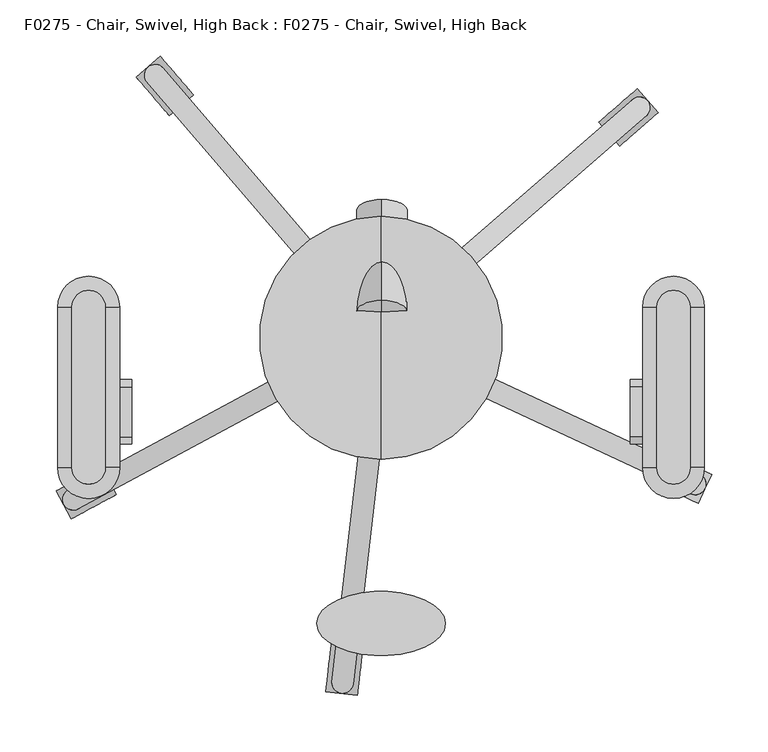
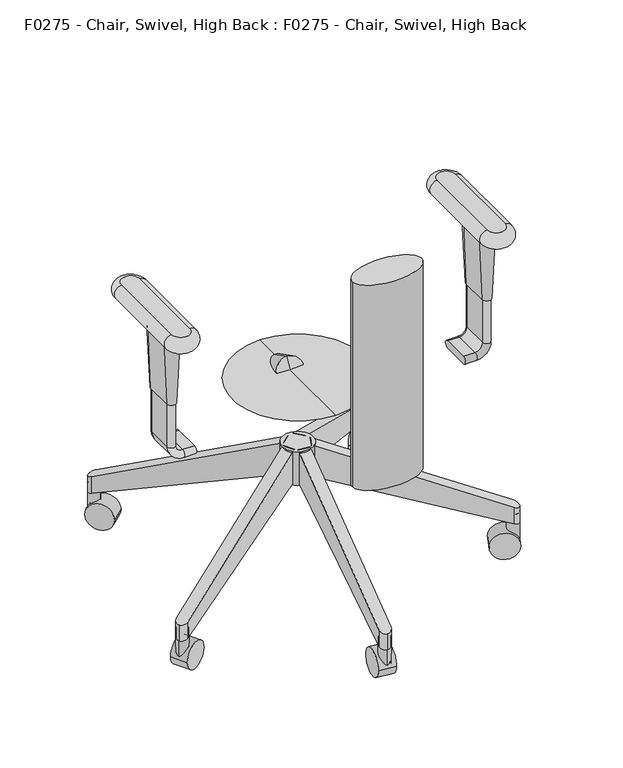
"""IFC4 building model written with IfcOpenShell, lengths in millimetres: proxy geometry, F0275 - Chair, Swivel, High Back : F0275 - Chair, Swivel, High Back."""

from ifc_helpers import new_model, si_unit, point, frame, frame_2d, origin, place, context, project, spatial, polyline, circle_curve, ellipse_curve, trimmed, segment, composite_curve, outline, extrude, source, transform, mapped, element, save
from ifc_brep_helpers import plane_surface, cylinder_surface, revolved_surface, extruded_surface, advanced_brep


def f0275_chair_swivel_high_back_f0275_chair_swivel_high_back_f37547ea(model_context):
    return source(origin(), model_context, "Body", "SolidModel", [
        advanced_brep(
        [(-9.9810679, -17.4509493, 158.3164474), (-9.9810679, -17.4509493, 212.7487443), (8.7806625, -19.6259644, 212.7487443), (8.7806625, -19.6259644, 158.3164474), (-24.5982535, -307.55326, 57.8258095), (-35.0378899, -315.4493016, 54.689734), (-43.4160152, -305.8615729, 57.6571213), (-24.5982535, -307.55326, 86.2220806), (-43.4160152, -305.8615729, 86.0096871), (-35.0378899, -315.4493016, 82.2734822)],
        [
            (0, 1),
            (1, 2),
            (2, 3),
            (3, 0),
            (3, 4),
            (4, 5, ellipse_curve(frame((-33.9473034, -306.0418773, 57.9730562), z_axis=(0.03772137343102609, 0.3253854336709328, -0.9448287768380345), x_axis=(-0.1088036881301013, -0.9385431130164155, -0.3275646233321655)), 10.0234334, 9.4704283)),
            (5, 6, ellipse_curve(frame((-33.9473034, -306.0418773, 57.9730562), z_axis=(0.03772137343102609, 0.3253854336709328, -0.9448287768380345), x_axis=(-0.1088036881301013, -0.9385431130164155, -0.3275646233321655)), 10.0234334, 9.4704283)),
            (6, 0),
            (2, 7),
            (7, 4),
            (1, 8),
            (8, 9, ellipse_curve(frame((-33.9473034, -306.0418773, 86.4074773), z_axis=(-0.046069943732865715, -0.3974003928601444, 0.9164881276039825), x_axis=(-0.10554006276616408, -0.910391005662055, -0.400061885163966)), 10.333389, 9.4704283)),
            (9, 7, ellipse_curve(frame((-33.9473034, -306.0418773, 86.4074773), z_axis=(-0.046069943732865715, -0.3974003928601444, 0.9164881276039825), x_axis=(-0.10554006276616408, -0.910391005662055, -0.400061885163966)), 10.333389, 9.4704283)),
            (6, 8),
            (5, 9),
        ],
        [
            plane_surface(frame((-0.6002027, -18.5384569, 185.5325958), z_axis=(0.11515704305094802, 0.9933472984992521, 0.0), x_axis=(0.0, 0.0, 1.0))),
            plane_surface(frame((-0.6002027, -18.5384569, 158.3164474), z_axis=(0.03772137343102609, 0.3253854336709328, -0.9448287768380345), x_axis=(0.9933472984992534, -0.1151570430509366, 0.0))),
            plane_surface(frame((8.7806625, -19.6259644, 185.5325958), z_axis=(0.9933472984992534, -0.11515704305093587, 0.0), x_axis=(0.0, 0.0, 1.0))),
            plane_surface(frame((-0.6002027, -18.5384569, 212.7487443), z_axis=(-0.046069943732865715, -0.3974003928601444, 0.9164881276039825), x_axis=(-0.9933472984992534, 0.1151570430509366, 0.0))),
            plane_surface(frame((-9.9810679, -17.4509493, 185.5325958), z_axis=(-0.9933472984992533, 0.11515704305093748, 0.0), x_axis=(0.0, 0.0, -1.0))),
            cylinder_surface(frame((-33.9473034, -306.0418773, 0.0), z_axis=(0.0, 0.0, -1.0000000000000002), x_axis=(0.1151570430509366, 0.9933472984992534, 0.0)), 9.4704283),
        ],
        [
            (0, [[1, 2, 3, 4]]),
            (1, [[-4, 5, 6, 7, 8]]),
            (2, [[-3, 9, 10, -5]]),
            (3, [[-2, 11, 12, 13, -9]]),
            (4, [[-1, -8, 14, -11]]),
            (5, [[15, -12, -14, -7]]),
            (5, [[-15, -6, -10, -13]]),
        ],
    ),
        advanced_brep(
        [(20.8311024, 1.0913385, 158.3164474), (12.8489497, -16.0264433, 158.3164474), (12.8489497, -16.0264433, 212.7487443), (20.8311024, 1.0913385, 212.7487443), (283.9704842, -121.6125703, 86.0096871), (283.9704842, -121.6125703, 57.6571213), (275.5473538, -138.5247209, 86.2220806), (287.7438997, -133.7731156, 82.2734822), (275.5473538, -138.5247209, 57.8258095), (287.7438997, -133.7731156, 54.689734)],
        [
            (0, 1),
            (1, 2),
            (2, 3),
            (3, 0),
            (3, 4),
            (4, 5),
            (5, 0),
            (2, 6),
            (6, 7, ellipse_curve(frame((279.1607767, -129.7707397, 86.4074773), z_axis=(0.3625792018206629, -0.16907345849670724, 0.9164881276039822), x_axis=(0.8306203267741233, -0.3873246193939933, -0.40006188516396646)), 10.333389, 9.4704283)),
            (7, 4, ellipse_curve(frame((279.1607767, -129.7707397, 86.4074773), z_axis=(0.3625792018206629, -0.16907345849670724, 0.9164881276039822), x_axis=(0.8306203267741233, -0.3873246193939933, -0.40006188516396646)), 10.333389, 9.4704283)),
            (1, 8),
            (8, 6),
            (5, 9, ellipse_curve(frame((279.1607767, -129.7707397, 57.9730562), z_axis=(-0.2968743688836678, 0.13843479172039067, -0.9448287768380342), x_axis=(0.8563056778646188, -0.3993018953098915, -0.3275646233321667)), 10.0234334, 9.4704283)),
            (9, 8, ellipse_curve(frame((279.1607767, -129.7707397, 57.9730562), z_axis=(-0.2968743688836678, 0.13843479172039067, -0.9448287768380342), x_axis=(0.8563056778646188, -0.3993018953098915, -0.3275646233321667)), 10.0234334, 9.4704283)),
            (9, 7),
        ],
        [
            plane_surface(frame((16.8400261, -7.4675524, 185.5325958), z_axis=(-0.9063077870366449, 0.42261826174071043, 0.0), x_axis=(-0.42261826174071043, -0.9063077870366449, 0.0))),
            plane_surface(frame((20.8311024, 1.0913385, 185.5325958), z_axis=(0.4226182617407104, 0.9063077870366448, 0.0), x_axis=(0.0, 0.0, 1.0))),
            plane_surface(frame((16.8400261, -7.4675524, 212.7487443), z_axis=(0.36257920182066294, -0.16907345849670727, 0.9164881276039825), x_axis=(-0.42261826174071043, -0.9063077870366449, 0.0))),
            plane_surface(frame((12.8489497, -16.0264433, 185.5325958), z_axis=(-0.4226182617407102, -0.906307787036645, 0.0), x_axis=(0.0, 0.0, -1.0))),
            plane_surface(frame((16.8400261, -7.4675524, 158.3164474), z_axis=(-0.29687436888366786, 0.1384347917203907, -0.9448287768380345), x_axis=(0.42261826174071043, 0.9063077870366449, 0.0))),
            cylinder_surface(frame((279.1607767, -129.7707397, 0.0), z_axis=(0.0, 0.0, -1.0000000000000002), x_axis=(-0.9063077870366449, 0.42261826174071043, 0.0)), 9.4704283),
        ],
        [
            (0, [[1, 2, 3, 4]]),
            (1, [[-4, 5, 6, 7]]),
            (2, [[-3, 8, 9, 10, -5]]),
            (3, [[-2, 11, 12, -8]]),
            (4, [[-1, -7, 13, 14, -11]]),
            (5, [[15, -9, -12, -14]]),
            (5, [[-15, -13, -6, -10]]),
        ],
    ),
        advanced_brep(
        [(4.8840356, 21.9424599, 158.3164474), (17.2752734, 7.6879714, 158.3164474), (17.2752734, 7.6879714, 212.7487443), (4.8840356, 21.9424599, 212.7487443), (224.008063, 212.4240708, 86.0096871), (224.008063, 212.4240708, 57.6571213), (236.0320855, 197.850367, 86.2220806), (236.6520602, 210.925118, 82.2734822), (236.0320855, 197.850367, 57.8258095), (236.6520602, 210.925118, 54.689734)],
        [
            (0, 1),
            (1, 2),
            (2, 3),
            (3, 0),
            (3, 4),
            (4, 5),
            (5, 0),
            (2, 6),
            (6, 7, ellipse_curve(frame((229.5046372, 204.711958, 86.4074773), z_axis=(0.3019305374152332, 0.2624642119167779, 0.9164881276039821), x_axis=(0.6916823700631672, 0.6012703110771831, -0.40006188516396696)), 10.333389, 9.4704283)),
            (7, 4, ellipse_curve(frame((229.5046372, 204.711958, 86.4074773), z_axis=(0.3019305374152332, 0.2624642119167779, 0.9164881276039821), x_axis=(0.6916823700631672, 0.6012703110771831, -0.40006188516396696)), 10.333389, 9.4704283)),
            (1, 8),
            (8, 6),
            (5, 9, ellipse_curve(frame((229.5046372, 204.711958, 57.9730562), z_axis=(-0.24721615937085384, -0.21490172871493748, -0.9448287768380343), x_axis=(0.7130713295498402, 0.6198634498946357, -0.32756462333216607)), 10.0234334, 9.4704283)),
            (9, 8, ellipse_curve(frame((229.5046372, 204.711958, 57.9730562), z_axis=(-0.24721615937085384, -0.21490172871493748, -0.9448287768380343), x_axis=(0.7130713295498402, 0.6198634498946357, -0.32756462333216607)), 10.0234334, 9.4704283)),
            (9, 7),
        ],
        [
            plane_surface(frame((11.0796545, 14.8152156, 185.5325958), z_axis=(-0.7547095802227848, -0.6560590289904926, 0.0), x_axis=(0.6560590289904926, -0.7547095802227848, 0.0))),
            plane_surface(frame((4.8840356, 21.9424599, 185.5325958), z_axis=(-0.6560590289904923, 0.7547095802227851, 0.0), x_axis=(0.0, 0.0, 1.0))),
            plane_surface(frame((11.0796545, 14.8152156, 212.7487443), z_axis=(0.30193053741523324, 0.26246421191677793, 0.9164881276039823), x_axis=(0.6560590289904926, -0.7547095802227848, 0.0))),
            plane_surface(frame((17.2752734, 7.6879714, 185.5325958), z_axis=(0.6560590289904925, -0.7547095802227849, 0.0), x_axis=(0.0, 0.0, -1.0))),
            plane_surface(frame((11.0796545, 14.8152156, 158.3164474), z_axis=(-0.24721615937085384, -0.21490172871493748, -0.9448287768380343), x_axis=(-0.6560590289904926, 0.7547095802227848, 0.0))),
            cylinder_surface(frame((229.5046372, 204.711958, 0.0), z_axis=(0.0, 0.0, -1.0), x_axis=(-0.7547095802227848, -0.6560590289904926, 0.0)), 9.4704283),
        ],
        [
            (0, [[1, 2, 3, 4]]),
            (1, [[-4, 5, 6, 7]]),
            (2, [[-3, 8, 9, 10, -5]]),
            (3, [[-2, 11, 12, -8]]),
            (4, [[-1, -7, 13, 14, -11]]),
            (5, [[15, -9, -12, -14]]),
            (5, [[-15, -13, -6, -10]]),
        ],
    ),
        advanced_brep(
        [(-22.8528474, 2.4922689, 158.3164474), (-22.8528474, 2.4922689, 212.7487443), (-13.873229, -14.1239782, 212.7487443), (-13.873229, -14.1239782, 158.3164474), (-268.8748214, -151.9298831, 57.8258095), (-281.3308096, -147.907217, 54.689734), (-278.2824972, -135.5449633, 57.6571213), (-268.8748214, -151.9298831, 86.2220806), (-278.2824972, -135.5449633, 86.0096871), (-281.3308096, -147.907217, 82.2734822)],
        [
            (0, 1),
            (1, 2),
            (2, 3),
            (3, 0),
            (3, 4),
            (4, 5, ellipse_curve(frame((-272.9991639, -143.4046962, 57.9730562), z_axis=(0.28817623412023846, 0.15573387732610194, -0.9448287768380345), x_axis=(-0.8312167413802618, -0.44919945056782457, -0.32756462333216557)), 10.0234334, 9.4704283)),
            (5, 6, ellipse_curve(frame((-272.9991639, -143.4046962, 57.9730562), z_axis=(0.28817623412023846, 0.15573387732610194, -0.9448287768380345), x_axis=(-0.8312167413802618, -0.44919945056782457, -0.32756462333216557)), 10.0234334, 9.4704283)),
            (6, 0),
            (2, 7),
            (7, 4),
            (1, 8),
            (8, 9, ellipse_curve(frame((-272.9991639, -143.4046962, 86.4074773), z_axis=(-0.35195597836182463, -0.19020121255217418, 0.9164881276039823), x_axis=(-0.8062839464840623, -0.43572547054440075, -0.40006188516396635)), 10.333389, 9.4704283)),
            (9, 7, ellipse_curve(frame((-272.9991639, -143.4046962, 86.4074773), z_axis=(-0.35195597836182463, -0.19020121255217418, 0.9164881276039823), x_axis=(-0.8062839464840623, -0.43572547054440075, -0.40006188516396635)), 10.333389, 9.4704283)),
            (6, 8),
            (5, 9),
        ],
        [
            plane_surface(frame((-18.3630382, -5.8158547, 185.5325958), z_axis=(0.8797538366284872, 0.4754294763026976, 0.0), x_axis=(0.0, 0.0, 1.0))),
            plane_surface(frame((-18.3630382, -5.8158547, 158.3164474), z_axis=(0.28817623412023846, 0.15573387732610194, -0.9448287768380345), x_axis=(0.475429476302697, -0.8797538366284874, 0.0))),
            plane_surface(frame((-13.873229, -14.1239782, 185.5325958), z_axis=(0.475429476302697, -0.8797538366284875, 0.0), x_axis=(0.0, 0.0, 1.0))),
            plane_surface(frame((-18.3630382, -5.8158547, 212.7487443), z_axis=(-0.35195597836182463, -0.19020121255217418, 0.9164881276039823), x_axis=(-0.475429476302697, 0.8797538366284874, 0.0))),
            plane_surface(frame((-22.8528474, 2.4922689, 185.5325958), z_axis=(-0.4754294763026961, 0.8797538366284879, 0.0), x_axis=(0.0, 0.0, -1.0))),
            cylinder_surface(frame((-272.9991639, -143.4046962, 0.0), z_axis=(0.0, 0.0, -1.0), x_axis=(0.8797538366284874, 0.475429476302697, 0.0)), 9.4704283),
        ],
        [
            (0, [[1, 2, 3, 4]]),
            (1, [[-4, 5, 6, 7, 8]]),
            (2, [[-3, 9, 10, -5]]),
            (3, [[-2, 11, 12, 13, -9]]),
            (4, [[-1, -8, 14, -11]]),
            (5, [[15, -12, -14, -7]]),
            (5, [[-15, -6, -10, -13]]),
        ],
    ),
        advanced_brep(
        [(-19.080879, 7.8130322, 158.3164474), (-4.7429526, 20.1076279, 158.3164474), (-4.7429526, 20.1076279, 212.7487443), (-19.080879, 7.8130322, 212.7487443), (-208.0768805, 228.2196902, 86.0096871), (-208.0768805, 228.2196902, 57.6571213), (-193.4222285, 240.1449212, 86.2220806), (-206.4924898, 240.8532657, 82.2734822), (-193.4222285, 240.1449212, 57.8258095), (-206.4924898, 240.8532657, 54.689734)],
        [
            (0, 1),
            (1, 2),
            (2, 3),
            (3, 0),
            (3, 4),
            (4, 5),
            (5, 0),
            (2, 6),
            (6, 7, ellipse_curve(frame((-200.3277876, 233.6640057, 86.4074773), z_axis=(-0.26041719384390805, 0.30369787143049076, 0.9164881276039823), x_axis=(-0.5965808671927533, 0.6957310952793443, -0.40006188516396635)), 10.333389, 9.4704283)),
            (7, 4, ellipse_curve(frame((-200.3277876, 233.6640057, 86.4074773), z_axis=(-0.26041719384390805, 0.30369787143049076, 0.9164881276039823), x_axis=(-0.5965808671927533, 0.6957310952793443, -0.40006188516396635)), 10.333389, 9.4704283)),
            (1, 8),
            (8, 6),
            (5, 9, ellipse_curve(frame((-200.3277876, 233.6640057, 57.9730562), z_axis=(0.21322566126422557, -0.2486632257435294, -0.9448287768380346), x_axis=(-0.6150289938925049, 0.7172452538796125, -0.32756462333216513)), 10.0234334, 9.4704283)),
            (9, 8, ellipse_curve(frame((-200.3277876, 233.6640057, 57.9730562), z_axis=(0.21322566126422557, -0.2486632257435294, -0.9448287768380346), x_axis=(-0.6150289938925049, 0.7172452538796125, -0.32756462333216513)), 10.0234334, 9.4704283)),
            (9, 7),
        ],
        [
            plane_surface(frame((-11.9119158, 13.96033, 185.5325958), z_axis=(0.6509422754361504, -0.7591272317932001, 0.0), x_axis=(0.7591272317932001, 0.6509422754361504, 0.0))),
            plane_surface(frame((-19.080879, 7.8130322, 185.5325958), z_axis=(-0.7591272317932003, -0.6509422754361502, 0.0), x_axis=(0.0, 0.0, 1.0))),
            plane_surface(frame((-11.9119158, 13.96033, 212.7487443), z_axis=(-0.26041719384390805, 0.30369787143049076, 0.9164881276039823), x_axis=(0.7591272317932001, 0.6509422754361504, 0.0))),
            plane_surface(frame((-4.7429526, 20.1076279, 185.5325958), z_axis=(0.7591272317932007, 0.6509422754361497, 0.0), x_axis=(0.0, 0.0, -1.0))),
            plane_surface(frame((-11.9119158, 13.96033, 158.3164474), z_axis=(0.21322566126422557, -0.2486632257435294, -0.9448287768380346), x_axis=(-0.7591272317932001, -0.6509422754361504, 0.0))),
            cylinder_surface(frame((-200.3277876, 233.6640057, 0.0), z_axis=(0.0, 0.0, -1.0), x_axis=(0.6509422754361504, -0.7591272317932001, 0.0)), 9.4704283),
        ],
        [
            (0, [[1, 2, 3, 4]]),
            (1, [[-4, 5, 6, 7]]),
            (2, [[-3, 8, 9, 10, -5]]),
            (3, [[-2, 11, 12, -8]]),
            (4, [[-1, -7, 13, 14, -11]]),
            (5, [[15, -9, -12, -14]]),
            (5, [[-15, -13, -6, -10]]),
        ],
    ),
        advanced_brep(
        [(-244.5495896, 27.4015345, 564.9459091), (-274.2828798, 27.4015345, 564.9459091), (-274.2828798, -115.049405, 564.9459091), (-244.5495896, -115.049405, 564.9459091), (-274.2828798, 27.4015345, 539.608165), (-244.5495896, 27.4015345, 539.608165), (-244.5495896, -115.049405, 539.608165), (-274.2828798, -115.049405, 539.608165)],
        [
            (0, 1, circle_curve(frame((-259.4162347, 27.4015345, 564.9459091), z_axis=(0.0, 0.0, 1.0), x_axis=(1.0, 0.0, 0.0)), 14.8666451)),
            (1, 2),
            (2, 3, circle_curve(frame((-259.4162347, -115.049405, 564.9459091), z_axis=(0.0, 0.0, 1.0), x_axis=(-1.0, 0.0, 0.0)), 14.8666451)),
            (3, 0),
            (4, 5, circle_curve(frame((-259.4162347, 27.4015345, 539.608165), z_axis=(0.0, 0.0, -1.0), x_axis=(1.0, 0.0, 0.0)), 14.8666451)),
            (5, 6),
            (6, 7, circle_curve(frame((-259.4162347, -115.049405, 539.608165), z_axis=(0.0, 0.0, -1.0), x_axis=(-1.0, 0.0, 0.0)), 14.8666451)),
            (7, 4),
            (4, 1, circle_curve(frame((-274.2828798, 27.4015345, 552.277037), z_axis=(0.0, 1.0, 0.0), x_axis=(1.0, 0.0, 0.0)), 12.668872)),
            (0, 5, circle_curve(frame((-244.5495896, 27.4015345, 552.277037), z_axis=(0.0, 1.0, 0.0), x_axis=(-1.0, 0.0, 0.0)), 12.668872)),
            (7, 2, circle_curve(frame((-274.2828798, -115.049405, 552.277037), z_axis=(0.0, 1.0, 0.0), x_axis=(1.0, 0.0, 0.0)), 12.668872)),
            (6, 3, circle_curve(frame((-244.5495896, -115.049405, 552.277037), z_axis=(0.0, -1.0, 0.0), x_axis=(-1.0, 0.0, 0.0)), 12.668872)),
        ],
        [
            plane_surface(frame((-231.779449, 27.4015345, 564.9459091), z_axis=(0.0, 0.0, 1.0), x_axis=(0.0, 1.0, 0.0))),
            plane_surface(frame((-231.779449, 27.4015345, 539.608165), z_axis=(0.0, 0.0, -1.0), x_axis=(0.0, -1.0, 0.0))),
            revolved_surface(trimmed(ellipse_curve(frame((-244.5495896, 27.4015345, 552.277037), z_axis=(0.0, -1.0, 0.0), x_axis=(-1.0, 0.0, 0.0)), 12.668872, 12.668872), [point((-244.5495896, 27.4015345, 539.608165))], [point((-244.5495896, 27.4015345, 564.9459091))], True, "CARTESIAN"), (-259.4162347, 27.4015345, 564.9459091), (0.0, 0.0, 1.0)),
            cylinder_surface(frame((-274.2828798, 27.4015345, 552.277037), z_axis=(0.0, -1.0, 0.0), x_axis=(1.0, 0.0, 0.0)), 12.668872),
            revolved_surface(trimmed(ellipse_curve(frame((-274.2828798, -115.049405, 552.277037), z_axis=(0.0, 1.0, 0.0), x_axis=(1.0, 0.0, 0.0)), 12.668872, 12.668872), [point((-274.2828798, -115.049405, 539.608165))], [point((-274.2828798, -115.049405, 564.9459091))], True, "CARTESIAN"), (-259.4162347, -115.049405, 564.9459091), (0.0, 0.0, 1.0)),
            cylinder_surface(frame((-244.5495896, -115.049405, 552.277037), z_axis=(0.0, 1.0, 0.0), x_axis=(-1.0, 0.0, 0.0)), 12.668872),
        ],
        [
            (0, [[1, 2, 3, 4]]),
            (1, [[5, 6, 7, 8]]),
            (2, [[9, -1, 10, -5]]),
            (3, [[-9, -8, 11, -2]]),
            (4, [[-11, -7, 12, -3]]),
            (5, [[-10, -4, -12, -6]]),
        ],
    ),
        advanced_brep(
        [(274.7166709, 27.4015345, 564.9459091), (245.0837813, 27.4015345, 564.9459091), (245.0837813, -115.049405, 564.9459091), (274.7166709, -115.049405, 564.9459091), (245.0837813, 27.4015345, 539.608165), (274.7166709, 27.4015345, 539.608165), (274.7166709, -115.049405, 539.608165), (245.0837813, -115.049405, 539.608165)],
        [
            (0, 1, circle_curve(frame((259.9002261, 27.4015345, 564.9459091), z_axis=(0.0, 0.0, 1.0), x_axis=(1.0, 0.0, 0.0)), 14.8164448)),
            (1, 2),
            (2, 3, circle_curve(frame((259.9002261, -115.049405, 564.9459091), z_axis=(0.0, 0.0, 1.0), x_axis=(-1.0, 0.0, 0.0)), 14.8164448)),
            (3, 0),
            (4, 5, circle_curve(frame((259.9002261, 27.4015345, 539.608165), z_axis=(0.0, 0.0, -1.0), x_axis=(1.0, 0.0, 0.0)), 14.8164448)),
            (5, 6),
            (6, 7, circle_curve(frame((259.9002261, -115.049405, 539.608165), z_axis=(0.0, 0.0, -1.0), x_axis=(-1.0, 0.0, 0.0)), 14.8164448)),
            (7, 4),
            (4, 1, circle_curve(frame((245.0837813, 27.4015345, 552.277037), z_axis=(0.0, 1.0, 0.0), x_axis=(1.0, 0.0, 0.0)), 12.668872)),
            (0, 5, circle_curve(frame((274.7166709, 27.4015345, 552.277037), z_axis=(0.0, 1.0, 0.0), x_axis=(-1.0, 0.0, 0.0)), 12.668872)),
            (7, 2, circle_curve(frame((245.0837813, -115.049405, 552.277037), z_axis=(0.0, 1.0, 0.0), x_axis=(1.0, 0.0, 0.0)), 12.668872)),
            (6, 3, circle_curve(frame((274.7166709, -115.049405, 552.277037), z_axis=(0.0, -1.0, 0.0), x_axis=(-1.0, 0.0, 0.0)), 12.668872)),
        ],
        [
            plane_surface(frame((232.2634404, 21.3431584, 564.9459091), z_axis=(0.0, 0.0, 1.0), x_axis=(0.0, -1.0, 0.0))),
            plane_surface(frame((232.2634404, 21.3431584, 539.608165), z_axis=(0.0, 0.0, -1.0), x_axis=(0.0, 1.0, 0.0))),
            revolved_surface(trimmed(ellipse_curve(frame((274.7166709, 27.4015345, 552.277037), z_axis=(0.0, -1.0, 0.0), x_axis=(-1.0, 0.0, 0.0)), 12.668872, 12.668872), [point((274.7166709, 27.4015345, 539.608165))], [point((274.7166709, 27.4015345, 564.9459091))], True, "CARTESIAN"), (259.9002261, 27.4015345, 564.9459091), (0.0, 0.0, 1.0)),
            cylinder_surface(frame((245.0837813, 27.4015345, 552.277037), z_axis=(0.0, -1.0, 0.0), x_axis=(1.0, 0.0, 0.0)), 12.668872),
            revolved_surface(trimmed(ellipse_curve(frame((245.0837813, -115.049405, 552.277037), z_axis=(0.0, 1.0, 0.0), x_axis=(1.0, 0.0, 0.0)), 12.668872, 12.668872), [point((245.0837813, -115.049405, 539.608165))], [point((245.0837813, -115.049405, 564.9459091))], True, "CARTESIAN"), (259.9002261, -115.049405, 564.9459091), (0.0, 0.0, 1.0)),
            cylinder_surface(frame((274.7166709, -115.049405, 552.277037), z_axis=(0.0, 1.0, 0.0), x_axis=(-1.0, 0.0, 0.0)), 12.668872),
        ],
        [
            (0, [[1, 2, 3, 4]]),
            (1, [[5, 6, 7, 8]]),
            (2, [[9, -1, 10, -5]]),
            (3, [[-9, -8, 11, -2]]),
            (4, [[-11, -7, 12, -3]]),
            (5, [[-10, -4, -12, -6]]),
        ],
    ),
        advanced_brep(
        [(57.3919957, -253.7484371, 665.1181797), (-56.9080043, -253.7484371, 665.1181797), (57.3919957, -253.7484371, 308.0330056), (-56.9080043, -253.7484371, 308.0330056)],
        [
            (0, 1, ellipse_curve(frame((0.2419957, -253.7484371, 665.1181797), z_axis=(0.0, 0.0, 1.0), x_axis=(-1.0, 0.0, 0.0)), 57.15, 28.575)),
            (1, 0, ellipse_curve(frame((0.2419957, -253.7484371, 665.1181797), z_axis=(0.0, 0.0, 1.0), x_axis=(-1.0, 0.0, 0.0)), 57.15, 28.575)),
            (2, 3, ellipse_curve(frame((0.2419957, -253.7484371, 308.0330056), z_axis=(0.0, 0.0, -1.0), x_axis=(-1.0, 0.0, 0.0)), 57.15, 28.575)),
            (3, 2, ellipse_curve(frame((0.2419957, -253.7484371, 308.0330056), z_axis=(0.0, 0.0, -1.0), x_axis=(-1.0, 0.0, 0.0)), 57.15, 28.575)),
            (0, 2),
            (3, 1),
        ],
        [
            plane_surface(frame((-56.9080043, -253.7484371, 665.1181797), z_axis=(0.0, 0.0, 1.0), x_axis=(0.0, -1.0, 0.0))),
            plane_surface(frame((-56.9080043, -253.7484371, 308.0330056), z_axis=(0.0, 0.0, -1.0), x_axis=(0.0, 1.0, 0.0))),
            extruded_surface(trimmed(ellipse_curve(frame((0.2419957, -253.7484371, -49.0521685), z_axis=(0.0, 0.0, 1.0), x_axis=(-1.0, 0.0, 0.0)), 57.15, 28.575), [point((57.3919957, -253.7484371, -49.0521685))], [point((-56.9080043, -253.7484371, -49.0521685))], True, "CARTESIAN"), (0.0, 0.0, 357.0851741), 357.0851741),
            extruded_surface(trimmed(ellipse_curve(frame((0.2419957, -253.7484371, -49.0521685), z_axis=(0.0, 0.0, 1.0), x_axis=(-1.0, 0.0, 0.0)), 57.15, 28.575), [point((-56.9080043, -253.7484371, -49.0521685))], [point((57.3919957, -253.7484371, -49.0521685))], True, "CARTESIAN"), (0.0, 0.0, 357.0851741), 357.0851741),
        ],
        [
            (0, [[1, 2]]),
            (1, [[3, 4]]),
            (2, [[-1, 5, -4, 6]]),
            (3, [[-2, -6, -3, -5]]),
        ],
    ),
        advanced_brep(
        [(-271.9692769, -43.3725061, 539.608165), (-271.9692769, -87.8225061, 539.608165), (-246.5692769, -87.8225061, 539.608165), (-246.5692769, -43.3725061, 539.608165), (-267.2067769, -43.3725061, 425.6440254), (-251.3317769, -43.3725061, 425.6440254), (-251.3317769, -87.8225061, 425.6440254), (-267.2067769, -87.8225061, 425.6440254)],
        [
            (0, 1),
            (1, 2, circle_curve(frame((-259.2692769, -87.8225061, 539.608165), z_axis=(0.0, 0.0, 1.0), x_axis=(-1.0, 0.0, 0.0)), 12.7)),
            (2, 3),
            (3, 0, circle_curve(frame((-259.2692769, -43.3725061, 539.608165), z_axis=(0.0, 0.0, 1.0), x_axis=(1.0, 0.0, 0.0)), 12.7)),
            (4, 5, circle_curve(frame((-259.2692769, -43.3725061, 425.6440254), z_axis=(0.0, 0.0, -1.0), x_axis=(1.0, 0.0, 0.0)), 7.9375)),
            (5, 6),
            (6, 7, circle_curve(frame((-259.2692769, -87.8225061, 425.6440254), z_axis=(0.0, 0.0, -1.0), x_axis=(-1.0, 0.0, 0.0)), 7.9375)),
            (7, 4),
            (7, 1),
            (0, 4),
            (6, 2),
            (5, 3),
        ],
        [
            plane_surface(frame((-259.2692769, -65.5975061, 539.608165), z_axis=(0.0, 0.0, 1.0), x_axis=(0.0, -1.0, 0.0))),
            plane_surface(frame((-259.2692769, -65.5975061, 425.6440254), z_axis=(0.0, 0.0, -1.0), x_axis=(0.0, -1.0, 0.0))),
            plane_surface(frame((-267.2067769, -65.5975061, 425.6440254), z_axis=(-0.9991279624642644, 0.0, -0.04175301931606388), x_axis=(0.0, -1.0, 0.0))),
            revolved_surface(polyline([(-251.33177690104475, -87.8225061, 425.6440254), (-246.5692769, -87.8225061, 539.608165)]), (-259.2692769, -87.8225061, 235.7037928), (0.0, 0.0, 1.0)),
            plane_surface(frame((-251.3317769, -65.5975061, 425.6440254), z_axis=(0.9991279624642645, 0.0, -0.04175301931606151), x_axis=(0.0, 1.0, 0.0))),
            revolved_surface(polyline([(-267.2067768989553, -43.3725061, 425.6440254), (-271.9692769, -43.3725061, 539.608165)]), (-259.2692769, -43.3725061, 235.7037928), (0.0, 0.0, 1.0)),
        ],
        [
            (0, [[1, 2, 3, 4]]),
            (1, [[5, 6, 7, 8]]),
            (2, [[-8, 9, -1, 10]]),
            (3, [[-7, 11, -2, -9]]),
            (4, [[-6, 12, -3, -11]]),
            (5, [[-5, -10, -4, -12]]),
        ],
    ),
        advanced_brep(
        [(-221.1692769, -43.3725061, 324.0440254), (-221.1692769, -43.3725061, 336.7440254), (-221.1692769, -87.8225061, 336.7440254), (-221.1692769, -87.8225061, 324.0440254), (-240.2192769, -43.3725061, 324.0440254), (-240.2192769, -43.3725061, 336.7440254), (-240.2192769, -87.8225061, 336.7440254), (-240.2192769, -87.8225061, 324.0440254), (-252.9192769, -43.3725061, 349.4440254), (-265.6192769, -43.3725061, 349.4440254), (-252.9192769, -87.8225061, 349.4440254), (-265.6192769, -87.8225061, 349.4440254), (-265.6192769, -43.3725061, 425.6440254), (-265.6192769, -87.8225061, 425.6440254), (-252.9192769, -87.8225061, 425.6440254), (-252.9192769, -43.3725061, 425.6440254)],
        [
            (0, 1, circle_curve(frame((-221.1692769, -43.3725061, 330.3940254), z_axis=(1.0, 0.0, 0.0), x_axis=(0.0, 1.0, 0.0)), 6.35)),
            (1, 2),
            (2, 3, circle_curve(frame((-221.1692769, -87.8225061, 330.3940254), z_axis=(1.0, 0.0, 0.0), x_axis=(0.0, 1.0, 0.0)), 6.35)),
            (3, 0),
            (0, 4),
            (4, 5, circle_curve(frame((-240.2192769, -43.3725061, 330.3940254), z_axis=(1.0, 0.0, 0.0), x_axis=(0.0, 1.0, 0.0)), 6.35)),
            (5, 1),
            (5, 6),
            (6, 2),
            (6, 7, circle_curve(frame((-240.2192769, -87.8225061, 330.3940254), z_axis=(1.0, 0.0, 0.0), x_axis=(0.0, 1.0, 0.0)), 6.35)),
            (7, 3),
            (7, 4),
            (8, 5, circle_curve(frame((-240.2192769, -43.3725061, 349.4440254), z_axis=(0.0, -1.0, 0.0), x_axis=(0.0, 0.0, -1.0)), 12.7)),
            (4, 9, circle_curve(frame((-240.2192769, -43.3725061, 349.4440254), z_axis=(0.0, 1.0, 0.0), x_axis=(0.0, 0.0, -1.0)), 25.4)),
            (9, 8, circle_curve(frame((-259.2692769, -43.3725061, 349.4440254), z_axis=(0.0, 0.0, -1.0), x_axis=(0.0, 1.0, 0.0)), 6.35)),
            (10, 6, circle_curve(frame((-240.2192769, -87.8225061, 349.4440254), z_axis=(0.0, -1.0, 0.0), x_axis=(0.0, 0.0, -1.0)), 12.7)),
            (8, 10),
            (11, 7, circle_curve(frame((-240.2192769, -87.8225061, 349.4440254), z_axis=(0.0, -1.0, 0.0), x_axis=(0.0, 0.0, -1.0)), 25.4)),
            (10, 11, circle_curve(frame((-259.2692769, -87.8225061, 349.4440254), z_axis=(0.0, 0.0, -1.0), x_axis=(0.0, 1.0, 0.0)), 6.35)),
            (11, 9),
            (12, 13),
            (13, 14, circle_curve(frame((-259.2692769, -87.8225061, 425.6440254), z_axis=(0.0, 0.0, 1.0), x_axis=(0.0, 1.0, 0.0)), 6.35)),
            (14, 15),
            (15, 12, circle_curve(frame((-259.2692769, -43.3725061, 425.6440254), z_axis=(0.0, 0.0, 1.0), x_axis=(0.0, 1.0, 0.0)), 6.35)),
            (9, 12),
            (15, 8),
            (14, 10),
            (13, 11),
        ],
        [
            plane_surface(frame((-221.1692769, -69.667478, 324.0440254), z_axis=(1.0, 0.0, 0.0), x_axis=(0.0, 1.0, 0.0))),
            cylinder_surface(frame((-221.1692769, -43.3725061, 330.3940254), z_axis=(1.0, 0.0, 0.0), x_axis=(0.0, 1.0, 0.0)), 6.35),
            plane_surface(frame((-221.1692769, -43.3725061, 336.7440254), z_axis=(0.0, 0.0, 1.0), x_axis=(-1.0, 0.0, 0.0))),
            cylinder_surface(frame((-221.1692769, -87.8225061, 330.3940254), z_axis=(1.0, 0.0, 0.0), x_axis=(0.0, 1.0, 0.0)), 6.35),
            plane_surface(frame((-221.1692769, -87.8225061, 324.0440254), z_axis=(0.0, 0.0, -1.0), x_axis=(-1.0, 0.0, 0.0))),
            revolved_surface(trimmed(ellipse_curve(frame((-240.2192769, -43.3725061, 330.3940254), z_axis=(1.0, 0.0, 0.0), x_axis=(0.0, 1.0, 0.0)), 6.35, 6.35), [point((-240.2192769, -43.3725061, 324.0440254))], [point((-240.2192769, -43.3725061, 336.7440254))], True, "CARTESIAN"), (-240.2192769, -69.667478, 349.4440254), (0.0, 1.0, 0.0)),
            revolved_surface(polyline([(-240.2192769, -43.3725061, 336.7440254), (-240.2192769, -87.8225061, 336.7440254)]), (-240.2192769, -69.667478, 349.4440254), (0.0, 1.0, 0.0)),
            revolved_surface(trimmed(ellipse_curve(frame((-240.2192769, -87.8225061, 330.3940254), z_axis=(1.0, 0.0, 0.0), x_axis=(0.0, 1.0, 0.0)), 6.35, 6.35), [point((-240.2192769, -87.8225061, 336.7440254))], [point((-240.2192769, -87.8225061, 324.0440254))], True, "CARTESIAN"), (-240.2192769, -69.667478, 349.4440254), (0.0, 1.0, 0.0)),
            cylinder_surface(frame((-240.2192769, -69.667478, 349.4440254), z_axis=(0.0, 1.0, 0.0), x_axis=(0.0, 0.0, -1.0)), 25.4),
            plane_surface(frame((-265.6192769, -69.667478, 425.6440254), z_axis=(0.0, 0.0, 1.0), x_axis=(0.0, 1.0, 0.0))),
            cylinder_surface(frame((-259.2692769, -43.3725061, 349.4440254), z_axis=(0.0, 0.0, -1.0), x_axis=(0.0, 1.0, 0.0)), 6.35),
            plane_surface(frame((-252.9192769, -43.3725061, 349.4440254), z_axis=(1.0, 0.0, 0.0), x_axis=(0.0, 0.0, 1.0))),
            cylinder_surface(frame((-259.2692769, -87.8225061, 349.4440254), z_axis=(0.0, 0.0, -1.0), x_axis=(0.0, 1.0, 0.0)), 6.35),
            plane_surface(frame((-265.6192769, -87.8225061, 349.4440254), z_axis=(-1.0, 0.0, 0.0), x_axis=(0.0, 0.0, 1.0))),
        ],
        [
            (0, [[1, 2, 3, 4]]),
            (1, [[-1, 5, 6, 7]]),
            (2, [[-2, -7, 8, 9]]),
            (3, [[-3, -9, 10, 11]]),
            (4, [[-4, -11, 12, -5]]),
            (5, [[13, -6, 14, 15]]),
            (6, [[16, -8, -13, 17]]),
            (7, [[18, -10, -16, 19]]),
            (8, [[-14, -12, -18, 20]]),
            (9, [[21, 22, 23, 24]]),
            (10, [[-15, 25, -24, 26]]),
            (11, [[-17, -26, -23, 27]]),
            (12, [[-19, -27, -22, 28]]),
            (13, [[-20, -28, -21, -25]]),
        ],
    ),
        advanced_brep(
        [(272.4532683, -43.3725061, 539.608165), (247.0532683, -43.3725061, 539.608165), (247.0532683, -87.8225061, 539.608165), (272.4532683, -87.8225061, 539.608165), (267.6907683, -43.3725061, 425.6440254), (267.6907683, -87.8225061, 425.6440254), (251.8157683, -87.8225061, 425.6440254), (251.8157683, -43.3725061, 425.6440254)],
        [
            (0, 1, circle_curve(frame((259.7532683, -43.3725061, 539.608165), z_axis=(0.0, 0.0, 1.0), x_axis=(1.0, 0.0, 0.0)), 12.7)),
            (1, 2),
            (2, 3, circle_curve(frame((259.7532683, -87.8225061, 539.608165), z_axis=(0.0, 0.0, 1.0), x_axis=(-1.0, 0.0, 0.0)), 12.7)),
            (3, 0),
            (4, 5),
            (5, 6, circle_curve(frame((259.7532683, -87.8225061, 425.6440254), z_axis=(0.0, 0.0, -1.0), x_axis=(-1.0, 0.0, 0.0)), 7.9375)),
            (6, 7),
            (7, 4, circle_curve(frame((259.7532683, -43.3725061, 425.6440254), z_axis=(0.0, 0.0, -1.0), x_axis=(1.0, 0.0, 0.0)), 7.9375)),
            (7, 1),
            (0, 4),
            (6, 2),
            (5, 3),
        ],
        [
            plane_surface(frame((259.7532683, -65.5975061, 539.608165), z_axis=(0.0, 0.0, 1.0), x_axis=(0.0, 1.0, 0.0))),
            plane_surface(frame((259.7532683, -65.5975061, 425.6440254), z_axis=(0.0, 0.0, -1.0), x_axis=(0.0, 1.0, 0.0))),
            revolved_surface(polyline([(251.81576830104476, -43.3725061, 425.6440254), (247.0532683, -43.3725061, 539.608165)]), (259.7532683, -43.3725061, 235.7037928), (0.0, 0.0, 1.0)),
            plane_surface(frame((251.8157683, -65.5975061, 425.6440254), z_axis=(-0.9991279624642644, 0.0, -0.04175301931606269), x_axis=(0.0, -1.0, 0.0))),
            revolved_surface(polyline([(267.6907682989553, -87.8225061, 425.6440254), (272.4532683, -87.8225061, 539.608165)]), (259.7532683, -87.8225061, 235.7037928), (0.0, 0.0, 1.0)),
            plane_surface(frame((267.6907683, -65.5975061, 425.6440254), z_axis=(0.9991279624642644, 0.0, -0.04175301931606269), x_axis=(0.0, 1.0, 0.0))),
        ],
        [
            (0, [[1, 2, 3, 4]]),
            (1, [[5, 6, 7, 8]]),
            (2, [[-8, 9, -1, 10]]),
            (3, [[-7, 11, -2, -9]]),
            (4, [[-6, 12, -3, -11]]),
            (5, [[-5, -10, -4, -12]]),
        ],
    ),
        advanced_brep(
        [(221.6532683, -43.3725061, 324.0440254), (221.6532683, -87.8225061, 324.0440254), (221.6532683, -87.8225061, 336.7440254), (221.6532683, -43.3725061, 336.7440254), (240.7032683, -43.3725061, 324.0440254), (240.7032683, -87.8225061, 324.0440254), (240.7032683, -87.8225061, 336.7440254), (240.7032683, -43.3725061, 336.7440254), (266.1032683, -87.8225061, 349.4440254), (266.1032683, -43.3725061, 349.4440254), (253.4032683, -87.8225061, 349.4440254), (253.4032683, -43.3725061, 349.4440254), (266.1032683, -43.3725061, 425.6440254), (253.4032683, -43.3725061, 425.6440254), (253.4032683, -87.8225061, 425.6440254), (266.1032683, -87.8225061, 425.6440254)],
        [
            (0, 1),
            (1, 2, circle_curve(frame((221.6532683, -87.8225061, 330.3940254), z_axis=(-1.0, 0.0, 0.0), x_axis=(0.0, 1.0, 0.0)), 6.35)),
            (2, 3),
            (3, 0, circle_curve(frame((221.6532683, -43.3725061, 330.3940254), z_axis=(-1.0, 0.0, 0.0), x_axis=(0.0, 1.0, 0.0)), 6.35)),
            (0, 4),
            (4, 5),
            (5, 1),
            (5, 6, circle_curve(frame((240.7032683, -87.8225061, 330.3940254), z_axis=(-1.0, 0.0, 0.0), x_axis=(0.0, 1.0, 0.0)), 6.35)),
            (6, 2),
            (6, 7),
            (7, 3),
            (7, 4, circle_curve(frame((240.7032683, -43.3725061, 330.3940254), z_axis=(-1.0, 0.0, 0.0), x_axis=(0.0, 1.0, 0.0)), 6.35)),
            (8, 5, circle_curve(frame((240.7032683, -87.8225061, 349.4440254), z_axis=(0.0, 1.0, 0.0), x_axis=(0.0, 0.0, -1.0)), 25.4)),
            (4, 9, circle_curve(frame((240.7032683, -43.3725061, 349.4440254), z_axis=(0.0, -1.0, 0.0), x_axis=(0.0, 0.0, -1.0)), 25.4)),
            (9, 8),
            (10, 6, circle_curve(frame((240.7032683, -87.8225061, 349.4440254), z_axis=(0.0, 1.0, 0.0), x_axis=(0.0, 0.0, -1.0)), 12.7)),
            (8, 10, circle_curve(frame((259.7532683, -87.8225061, 349.4440254), z_axis=(0.0, 0.0, -1.0), x_axis=(0.0, 1.0, 0.0)), 6.35)),
            (11, 7, circle_curve(frame((240.7032683, -43.3725061, 349.4440254), z_axis=(0.0, 1.0, 0.0), x_axis=(0.0, 0.0, -1.0)), 12.7)),
            (10, 11),
            (11, 9, circle_curve(frame((259.7532683, -43.3725061, 349.4440254), z_axis=(0.0, 0.0, -1.0), x_axis=(0.0, 1.0, 0.0)), 6.35)),
            (12, 13, circle_curve(frame((259.7532683, -43.3725061, 425.6440254), z_axis=(0.0, 0.0, 1.0), x_axis=(0.0, 1.0, 0.0)), 6.35)),
            (13, 14),
            (14, 15, circle_curve(frame((259.7532683, -87.8225061, 425.6440254), z_axis=(0.0, 0.0, 1.0), x_axis=(0.0, 1.0, 0.0)), 6.35)),
            (15, 12),
            (9, 12),
            (15, 8),
            (14, 10),
            (13, 11),
        ],
        [
            plane_surface(frame((221.6532683, -69.667478, 324.0440254), z_axis=(-1.0, 0.0, 0.0), x_axis=(0.0, 1.0, 0.0))),
            plane_surface(frame((221.6532683, -43.3725061, 324.0440254), z_axis=(0.0, 0.0, -1.0), x_axis=(1.0, 0.0, 0.0))),
            cylinder_surface(frame((221.6532683, -87.8225061, 330.3940254), z_axis=(-1.0, 0.0, 0.0), x_axis=(0.0, 1.0, 0.0)), 6.35),
            plane_surface(frame((221.6532683, -87.8225061, 336.7440254), z_axis=(0.0, 0.0, 1.0), x_axis=(1.0, 0.0, 0.0))),
            cylinder_surface(frame((221.6532683, -43.3725061, 330.3940254), z_axis=(-1.0, 0.0, 0.0), x_axis=(0.0, 1.0, 0.0)), 6.35),
            cylinder_surface(frame((240.7032683, -69.667478, 349.4440254), z_axis=(0.0, -1.0, 0.0), x_axis=(0.0, 0.0, -1.0)), 25.4),
            revolved_surface(trimmed(ellipse_curve(frame((240.7032683, -87.8225061, 330.3940254), z_axis=(-1.0, 0.0, 0.0), x_axis=(0.0, 1.0, 0.0)), 6.35, 6.35), [point((240.7032683, -87.8225061, 324.0440254))], [point((240.7032683, -87.8225061, 336.7440254))], True, "CARTESIAN"), (240.7032683, -69.667478, 349.4440254), (0.0, -1.0, 0.0)),
            revolved_surface(polyline([(240.7032683, -87.8225061, 336.7440254), (240.7032683, -43.3725061, 336.7440254)]), (240.7032683, -69.667478, 349.4440254), (0.0, -1.0, 0.0)),
            revolved_surface(trimmed(ellipse_curve(frame((240.7032683, -43.3725061, 330.3940254), z_axis=(-1.0, 0.0, 0.0), x_axis=(0.0, 1.0, 0.0)), 6.35, 6.35), [point((240.7032683, -43.3725061, 336.7440254))], [point((240.7032683, -43.3725061, 324.0440254))], True, "CARTESIAN"), (240.7032683, -69.667478, 349.4440254), (0.0, -1.0, 0.0)),
            plane_surface(frame((266.1032683, -69.667478, 425.6440254), z_axis=(0.0, 0.0, 1.0), x_axis=(0.0, 1.0, 0.0))),
            plane_surface(frame((266.1032683, -43.3725061, 349.4440254), z_axis=(1.0, 0.0, 0.0), x_axis=(0.0, 0.0, 1.0))),
            cylinder_surface(frame((259.7532683, -87.8225061, 349.4440254), z_axis=(0.0, 0.0, -1.0), x_axis=(0.0, 1.0, 0.0)), 6.35),
            plane_surface(frame((253.4032683, -87.8225061, 349.4440254), z_axis=(-1.0, 0.0, 0.0), x_axis=(0.0, 0.0, 1.0))),
            cylinder_surface(frame((259.7532683, -43.3725061, 349.4440254), z_axis=(0.0, 0.0, -1.0), x_axis=(0.0, 1.0, 0.0)), 6.35),
        ],
        [
            (0, [[1, 2, 3, 4]]),
            (1, [[-1, 5, 6, 7]]),
            (2, [[-2, -7, 8, 9]]),
            (3, [[-3, -9, 10, 11]]),
            (4, [[-4, -11, 12, -5]]),
            (5, [[13, -6, 14, 15]]),
            (6, [[16, -8, -13, 17]]),
            (7, [[18, -10, -16, 19]]),
            (8, [[-14, -12, -18, 20]]),
            (9, [[21, 22, 23, 24]]),
            (10, [[-15, 25, -24, 26]]),
            (11, [[-17, -26, -23, 27]]),
            (12, [[-19, -27, -22, 28]]),
            (13, [[-20, -28, -21, -25]]),
        ],
    ),
        advanced_brep(
        [(0.9999506, 12.8598839, 300.8203454), (0.9999506, 33.3539723, 341.0422587), (0.9999506, 22.0529575, 321.4683269), (0.9999506, 102.6239909, 255.0832484), (0.9999506, 123.1180793, 295.3051617), (0.9999506, 118.3691098, 272.3927961)],
        [
            (0, 1, circle_curve(frame((0.9999506, 23.1069281, 320.931302), z_axis=(0.0, -0.8910065241883681, 0.45399049973954636), x_axis=(0.0, 0.45399049973954636, 0.8910065241883681)), 22.5710543)),
            (1, 2),
            (2, 0),
            (1, 0, circle_curve(frame((0.9999506, 23.1069281, 320.931302), z_axis=(0.0, -0.8910065241883681, 0.45399049973954636), x_axis=(0.0, 0.45399049973954636, 0.8910065241883681)), 22.5710543)),
            (3, 4, circle_curve(frame((0.9999506, 112.8710351, 275.1942051), z_axis=(0.0, -0.8910065241883681, 0.45399049973954636), x_axis=(0.0, 0.45399049973954636, 0.8910065241883681)), 22.5710543)),
            (4, 1),
            (0, 3),
            (4, 3, circle_curve(frame((0.9999506, 112.8710351, 275.1942051), z_axis=(0.0, -0.8910065241883681, 0.45399049973954636), x_axis=(0.0, 0.45399049973954636, 0.8910065241883681)), 22.5710543)),
            (5, 4, circle_curve(frame((0.9999506, 78.8389624, 292.5344122), z_axis=(1.0, 0.0, 0.0), x_axis=(0.0, -1.0, 0.0)), 44.3657216)),
            (3, 5, circle_curve(frame((0.9999506, 78.8389624, 292.5344122), z_axis=(1.0, 0.0, 0.0), x_axis=(0.0, -0.587785252292474, 0.8090169943749469)), 44.3657216)),
        ],
        [
            revolved_surface(polyline([(0.9999506, 22.0529575, 321.4683269), (0.9999506, 33.3539723, 341.0422587)]), (0.9999506, 51.9185439, 306.2510506), (0.0, 0.8910065241883681, -0.45399049973954636)),
            cylinder_surface(frame((0.9999506, 51.9185439, 306.2510506), z_axis=(0.0, 0.8910065241883681, -0.45399049973954636), x_axis=(0.0, 0.45399049973954636, 0.8910065241883681)), 22.5710543),
            revolved_surface(trimmed(ellipse_curve(frame((0.9999506, 78.8389624, 292.5344122), z_axis=(-1.0, 0.0, 0.0), x_axis=(0.0, -1.0, 0.0)), 44.3657216, 44.3657216), [point((0.9999506, 123.1180793, 295.3051617))], [point((0.9999506, 118.3691098, 272.3927961))], True, "CARTESIAN"), (0.9999506, 51.9185439, 306.2510506), (0.0, 0.8910065241883681, -0.45399049973954636)),
        ],
        [
            (0, [[1, 2, 3]]),
            (0, [[4, -3, -2]]),
            (1, [[5, 6, -1, 7]]),
            (1, [[8, -7, -4, -6]]),
            (2, [[9, -5, 10]]),
            (2, [[-10, -8, -9]]),
        ],
    ),
        advanced_brep(
        [(0.2419957, 0.182522, 324.0440254), (0.2419957, -107.767478, 324.0440254), (0.2419957, 108.132522, 324.0440254), (0.2419957, 12.882522, 278.9664474), (0.2419957, -12.517478, 278.9664474), (0.2419957, 0.182522, 278.9664474)],
        [
            (0, 1),
            (1, 2, circle_curve(frame((0.2419957, 0.182522, 324.0440254), z_axis=(0.0, 0.0, 1.0), x_axis=(0.0, -1.0, 0.0)), 107.95)),
            (2, 0),
            (2, 1, circle_curve(frame((0.2419957, 0.182522, 324.0440254), z_axis=(0.0, 0.0, 1.0), x_axis=(0.0, -1.0, 0.0)), 107.95)),
            (3, 4, circle_curve(frame((0.2419957, 0.182522, 278.9664474), z_axis=(0.0, 0.0, -1.0), x_axis=(0.0, -1.0, 0.0)), 12.7)),
            (4, 5),
            (5, 3),
            (4, 3, circle_curve(frame((0.2419957, 0.182522, 278.9664474), z_axis=(0.0, 0.0, -1.0), x_axis=(0.0, -1.0, 0.0)), 12.7)),
            (1, 4),
            (3, 2),
        ],
        [
            plane_surface(frame((0.2419957, 0.182522, 324.0440254), z_axis=(0.0, 0.0, 1.0), x_axis=(0.0, -1.0, 0.0))),
            plane_surface(frame((0.2419957, 0.182522, 278.9664474), z_axis=(0.0, 0.0, -1.0), x_axis=(0.0, -1.0, 0.0))),
            revolved_surface(polyline([(0.2419957, -12.517478, 278.9664474), (0.2419957, -107.767478, 324.0440254)]), (0.2419957, 0.182522, 278.9664474), (0.0, 0.0, 1.0)),
        ],
        [
            (0, [[1, 2, 3]]),
            (0, [[-3, 4, -1]]),
            (1, [[5, 6, 7]]),
            (1, [[8, -7, -6]]),
            (2, [[-2, 9, -5, 10]]),
            (2, [[-4, -10, -8, -9]]),
        ],
    ),
        extrude(outline(composite_curve([segment(trimmed(circle_curve(frame_2d((0.0, -22.5683942)), 22.5683942), [point((0.0, -45.1367883))], [point((0.0, 0.0))], False, "CARTESIAN"), True, "CONTINUOUS"), segment(trimmed(circle_curve(frame_2d((0.0, -22.5683942)), 22.5683942), [point((0.0, 0.0))], [point((0.0, -45.1367883))], False, "CARTESIAN"), True, "CONTINUOUS")], self_intersect=False)), frame((-15.6846721, -272.4659895, 22.3266274), z_axis=(-0.9933472984992534, 0.1151570430509366, 0.0), x_axis=(0.0, 0.0, 1.0)), (0.0, 0.0, 1.0), 28.170451),
        extrude(outline(composite_curve([segment(trimmed(circle_curve(frame_2d((-33.9473034, -306.0418773)), 9.4704283), [point((-35.0378899, -315.4493016))], [point((-32.8567169, -296.6344529))], False, "CARTESIAN"), True, "CONTINUOUS"), segment(trimmed(circle_curve(frame_2d((-33.9473034, -306.0418773)), 9.4704283), [point((-32.8567169, -296.6344529))], [point((-35.0378899, -315.4493016))], False, "CARTESIAN"), True, "CONTINUOUS")], self_intersect=False)), frame((0.0, 0.0, 24.010186), z_axis=(0.0, 0.0, 1.0), x_axis=(1.0, 0.0, 0.0)), (0.0, 0.0, 1.0), 49.9089859),
        extrude(outline(composite_curve([segment(trimmed(circle_curve(frame_2d((0.0, -22.5683941)), 22.5683942), [point((0.0, -45.1367883))], [point((0.0, 0.0))], False, "CARTESIAN"), True, "CONTINUOUS"), segment(trimmed(circle_curve(frame_2d((0.0, -22.5683941)), 22.5683942), [point((0.0, 0.0))], [point((0.0, -45.1367883))], False, "CARTESIAN"), True, "CONTINUOUS")], self_intersect=False)), frame((-235.0203919, -139.1062299, 22.3266274), z_axis=(-0.475429476302697, 0.8797538366284875, 0.0), x_axis=(0.0, 0.0, 1.0)), (0.0, 0.0, 1.0), 28.170451),
        extrude(outline(composite_curve([segment(trimmed(circle_curve(frame_2d((-272.9991639, -143.4046962)), 9.4704283), [point((-281.3308096, -147.907217))], [point((-264.6675183, -138.9021755))], False, "CARTESIAN"), True, "CONTINUOUS"), segment(trimmed(circle_curve(frame_2d((-272.9991639, -143.4046962)), 9.4704283), [point((-264.6675183, -138.9021755))], [point((-281.3308096, -147.907217))], False, "CARTESIAN"), True, "CONTINUOUS")], self_intersect=False)), frame((0.0, 0.0, 24.010186), z_axis=(0.0, 0.0, 1.0), x_axis=(1.0, 0.0, 0.0)), (0.0, 0.0, 1.0), 49.9089859),
        extrude(outline(composite_curve([segment(trimmed(circle_curve(frame_2d((0.0, -22.5683941)), 22.5683942), [point((0.0, -45.1367883))], [point((0.0, 0.0))], False, "CARTESIAN"), True, "CONTINUOUS"), segment(trimmed(circle_curve(frame_2d((0.0, -22.5683941)), 22.5683942), [point((0.0, 0.0))], [point((0.0, -45.1367883))], False, "CARTESIAN"), True, "CONTINUOUS")], self_intersect=False)), frame((-187.7969385, 197.7033295, 22.3266274), z_axis=(0.7591272317932002, 0.6509422754361504, 0.0), x_axis=(0.0, 0.0, 1.0)), (0.0, 0.0, 1.0), 28.170451),
        extrude(outline(composite_curve([segment(trimmed(circle_curve(frame_2d((-200.3277876, 233.6640057)), 9.4704283), [point((-206.4924898, 240.8532657))], [point((-194.1630855, 226.4747457))], False, "CARTESIAN"), True, "CONTINUOUS"), segment(trimmed(circle_curve(frame_2d((-200.3277876, 233.6640057)), 9.4704283), [point((-194.1630855, 226.4747457))], [point((-206.4924898, 240.8532657))], False, "CARTESIAN"), True, "CONTINUOUS")], self_intersect=False)), frame((0.0, 0.0, 24.010186), z_axis=(0.0, 0.0, 1.0), x_axis=(1.0, 0.0, 0.0)), (0.0, 0.0, 1.0), 49.9089859),
        extrude(outline(composite_curve([segment(trimmed(circle_curve(frame_2d((0.0, -22.5683942)), 22.5683942), [point((0.0, -45.1367883))], [point((0.0, 0.0))], False, "CARTESIAN"), True, "CONTINUOUS"), segment(trimmed(circle_curve(frame_2d((0.0, -22.5683942)), 22.5683942), [point((0.0, 0.0))], [point((0.0, -45.1367883))], False, "CARTESIAN"), True, "CONTINUOUS")], self_intersect=False)), frame((212.1109688, 170.6777952, 22.3266274), z_axis=(-0.6560590289904926, 0.7547095802227848, 0.0), x_axis=(0.0, 0.0, -1.0)), (0.0, 0.0, 1.0), 28.170451),
        extrude(outline(composite_curve([segment(trimmed(circle_curve(frame_2d((229.5046372, 204.711958)), 9.4704283), [point((236.6520602, 210.925118))], [point((222.3572143, 198.498798))], False, "CARTESIAN"), True, "CONTINUOUS"), segment(trimmed(circle_curve(frame_2d((229.5046372, 204.711958)), 9.4704283), [point((222.3572143, 198.498798))], [point((236.6520602, 210.925118))], False, "CARTESIAN"), True, "CONTINUOUS")], self_intersect=False)), frame((0.0, 0.0, 24.010186), z_axis=(0.0, 0.0, 1.0), x_axis=(1.0, 0.0, 0.0)), (0.0, 0.0, 1.0), 49.9089859),
        extrude(outline(composite_curve([segment(trimmed(circle_curve(frame_2d((0.0, -22.5683942)), 22.5683942), [point((0.0, -45.1367883))], [point((0.0, 0.0))], False, "CARTESIAN"), True, "CONTINUOUS"), segment(trimmed(circle_curve(frame_2d((0.0, -22.5683942)), 22.5683942), [point((0.0, 0.0))], [point((0.0, -45.1367883))], False, "CARTESIAN"), True, "CONTINUOUS")], self_intersect=False)), frame((240.9943796, -127.723774, 22.3266274), z_axis=(0.42261826174071043, 0.9063077870366449, 0.0), x_axis=(0.0, 0.0, -1.0)), (0.0, 0.0, 1.0), 28.170451),
        extrude(outline(composite_curve([segment(trimmed(circle_curve(frame_2d((279.1607767, -129.7707397)), 9.4704283), [point((287.7438997, -133.7731156))], [point((270.5776538, -125.7683637))], False, "CARTESIAN"), True, "CONTINUOUS"), segment(trimmed(circle_curve(frame_2d((279.1607767, -129.7707397)), 9.4704283), [point((270.5776538, -125.7683637))], [point((287.7438997, -133.7731156))], False, "CARTESIAN"), True, "CONTINUOUS")], self_intersect=False)), frame((0.0, 0.0, 24.010186), z_axis=(0.0, 0.0, 1.0), x_axis=(1.0, 0.0, 0.0)), (0.0, 0.0, 1.0), 49.9089859),
        extrude(outline(composite_curve([segment(trimmed(circle_curve(frame_2d((-0.2145371, 0.3834714)), 25.4), [point((25.1854629, 0.3834714))], [point((-25.6145371, 0.3834714))], False, "CARTESIAN"), True, "CONTINUOUS"), segment(trimmed(circle_curve(frame_2d((-0.2145371, 0.3834714)), 25.4), [point((-25.6145371, 0.3834714))], [point((25.1854629, 0.3834714))], False, "CARTESIAN"), True, "CONTINUOUS")], self_intersect=False)), frame((0.0, 0.0, 154.0271692), z_axis=(0.0, 0.0, 1.0), x_axis=(1.0, 0.0, 0.0)), (0.0, 0.0, 1.0), 58.7215752),
    ])


if __name__ == "__main__":
    model = new_model("IFC4")
    model_context = context("Model", 3, world=origin())
    ifc_project = project(units=[si_unit("LENGTHUNIT", "METRE", prefix="MILLI")], contexts=[model_context])
    site = spatial("IfcSite", under=ifc_project)
    building = spatial("IfcBuilding", under=site)
    placement = place(None, origin())
    f0275_chair_swivel_high_back_f0275_chair_swivel_high_back_shape = f0275_chair_swivel_high_back_f0275_chair_swivel_high_back_f37547ea(model_context)
    element("IfcBuildingElementProxy", 1, Name="F0275 - Chair, Swivel, High Back : F0275 - Chair, Swivel, High Back", ObjectType="F0275 - Chair, Swivel, High Back : F0275 - Chair, Swivel, High Back", at=placement, inside=building, context=model_context, shape_type="MappedRepresentation", body=[
        mapped(f0275_chair_swivel_high_back_f0275_chair_swivel_high_back_shape, transform((0.0, 0.0, 0.0), x_axis=(1.0, 0.0, 0.0), y_axis=(0.0, 1.0, 0.0), z_axis=(0.0, 0.0, 1.0))),
    ])
    save(model, "model.ifc")
